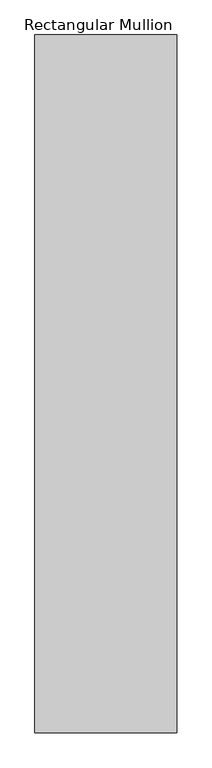
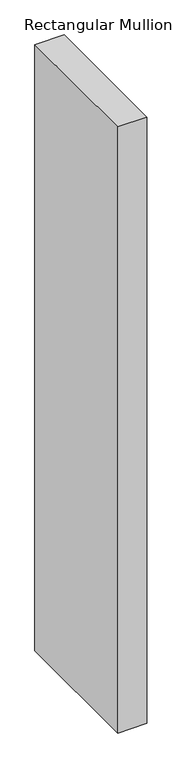
"""IFC4 building model written with IfcOpenShell, lengths in millimetres: member geometry, Rectangular Mullion."""

import ifcopenshell
import ifcopenshell.guid

model = None  # the IFC model being written
_history = None  # IfcOwnerHistory: only IFC2X3 demands one
_inside = {}  # id of a spatial element -> (the spatial element, [elements in it])
_under = {}  # id of a project, library or spatial element -> (it, [spatial elements below it])
_declared = {}  # id of a project -> (the project, [libraries it declares])
_typed = {}  # id of a type object -> (the type object, [elements of that type])
_made_of = {}  # id of a material, layer set ... -> (it, [elements and type objects made of it])


def new_model(schema):
    """Start an empty IFC model of exactly this schema.

    Asked for "IFC4X3", IfcOpenShell would pick the latest addendum, in which some entities
    have other attributes; the version numbers below select the first issue.
    IFC2X3 requires an IfcOwnerHistory on every rooted entity: one is made here for all.
    """
    global model, _history
    if schema == "IFC4X3":
        model = ifcopenshell.file(schema_version=(4, 3, 0, 0))
    else:
        model = ifcopenshell.file(schema=schema)
    _inside.clear()
    _under.clear()
    _declared.clear()
    _typed.clear()
    _made_of.clear()
    _history = None
    if model.schema == "IFC2X3":
        org = make("IfcOrganization", Name="unknown")
        user = make(
            "IfcPersonAndOrganization",
            ThePerson=make("IfcPerson", FamilyName="unknown"),
            TheOrganization=org,
        )
        app = make(
            "IfcApplication",
            ApplicationDeveloper=org,
            Version="unknown",
            ApplicationFullName="unknown",
            ApplicationIdentifier="unknown",
        )
        _history = make(
            "IfcOwnerHistory",
            OwningUser=user,
            OwningApplication=app,
            ChangeAction="ADDED",
            CreationDate=0,
        )
    return model


def make(cls, **values):
    """One entity of the class cls with the attributes given. An attribute that is None is left unset."""
    return model.create_entity(
        cls, **{name: value for name, value in values.items() if value is not None}
    )


def rooted(cls, **values):
    """An entity with a GlobalId (a new one), such as an element, a storey or a relation."""
    return make(cls, GlobalId=ifcopenshell.guid.new(), OwnerHistory=_history, **values)


def si_unit(unit_type, name, prefix=None):
    """IfcSIUnit, for example si_unit("LENGTHUNIT", "METRE", prefix="MILLI")."""
    return make("IfcSIUnit", UnitType=unit_type, Prefix=prefix, Name=name)


def assignment(units):
    """IfcUnitAssignment: the units of a project."""
    return None if units is None else make("IfcUnitAssignment", Units=units)


def point(xyz):
    """IfcCartesianPoint."""
    return None if xyz is None else make("IfcCartesianPoint", Coordinates=xyz)


def direction(xyz):
    """IfcDirection."""
    return None if xyz is None else make("IfcDirection", DirectionRatios=xyz)


def frame(location, z_axis=None, x_axis=None):
    """IfcAxis2Placement3D, a coordinate frame: its origin and axes. An axis left out is left unset."""
    return make(
        "IfcAxis2Placement3D",
        Location=point(location),
        Axis=direction(z_axis),
        RefDirection=direction(x_axis),
    )


def origin():
    """The frame at (0, 0, 0) with its axes left unset."""
    return frame((0.0, 0.0, 0.0))


def place(relative_to, where):
    """IfcLocalPlacement: puts the frame where relative to a parent placement (None: the world)."""
    return make(
        "IfcLocalPlacement", PlacementRelTo=relative_to, RelativePlacement=where
    )


def context(
    kind, dimensions, precision=None, world=None, true_north=None, identifier=None
):
    """IfcGeometricRepresentationContext, for example the 3D "Model" context."""
    return make(
        "IfcGeometricRepresentationContext",
        ContextIdentifier=identifier,
        ContextType=kind,
        CoordinateSpaceDimension=dimensions,
        Precision=precision,
        WorldCoordinateSystem=world,
        TrueNorth=true_north,
    )


def project(units=None, contexts=None):
    """IfcProject with its units and contexts."""
    return rooted(
        "IfcProject",
        Name="project",
        RepresentationContexts=contexts,
        UnitsInContext=assignment(units),
    )


def spatial(cls, under=None, at=None, **own):
    """A site, building, storey or space (cls), placed at a placement, below another one or the project."""
    s = rooted(cls, ObjectPlacement=at, **own)
    if under is not None:
        _under.setdefault(under.id(), (under, []))[1].append(s)
    return s


def polyline(points):
    """IfcPolyline through the points."""
    return make("IfcPolyline", Points=[point(p) for p in points])


def outline(outer, holes=None, kind="AREA"):
    """IfcArbitraryClosedProfileDef: a profile drawn as a closed curve; with holes, ...WithVoids."""
    if holes is None:
        return make("IfcArbitraryClosedProfileDef", ProfileType=kind, OuterCurve=outer)
    return make(
        "IfcArbitraryProfileDefWithVoids",
        ProfileType=kind,
        OuterCurve=outer,
        InnerCurves=holes,
    )


def extrude(swept, where, along, depth):
    """IfcExtrudedAreaSolid: the profile swept, set in the frame where, extruded along a direction by depth."""
    return make(
        "IfcExtrudedAreaSolid",
        SweptArea=swept,
        Position=where,
        ExtrudedDirection=direction(along),
        Depth=depth,
    )


def shape(context_of_items, identifier, shape_type, items):
    """IfcShapeRepresentation: the items that make up one representation, for example the "Body"."""
    return make(
        "IfcShapeRepresentation",
        ContextOfItems=context_of_items,
        RepresentationIdentifier=identifier,
        RepresentationType=shape_type,
        Items=items,
    )


def source(mapping_origin, context_of_items, identifier, shape_type, items):
    """IfcRepresentationMap: a shape defined once, which mapped items show again and again."""
    return make(
        "IfcRepresentationMap",
        MappingOrigin=mapping_origin,
        MappedRepresentation=shape(context_of_items, identifier, shape_type, items),
    )


def transform(
    local_origin,
    x_axis=None,
    y_axis=None,
    z_axis=None,
    scale=None,
    scale2=None,
    scale3=None,
    uniform=True,
):
    """IfcCartesianTransformationOperator3D, or its non-uniform kind. x_axis, y_axis, z_axis: its Axis1, 2, 3."""
    if uniform:
        return make(
            "IfcCartesianTransformationOperator3D",
            Axis1=direction(x_axis),
            Axis2=direction(y_axis),
            LocalOrigin=point(local_origin),
            Scale=scale,
            Axis3=direction(z_axis),
        )
    return make(
        "IfcCartesianTransformationOperator3DnonUniform",
        Axis1=direction(x_axis),
        Axis2=direction(y_axis),
        LocalOrigin=point(local_origin),
        Scale=scale,
        Axis3=direction(z_axis),
        Scale2=scale2,
        Scale3=scale3,
    )


def mapped(mapping_source, mapping_target):
    """IfcMappedItem: shows the shape of a source again, moved by a transform."""
    return make(
        "IfcMappedItem", MappingSource=mapping_source, MappingTarget=mapping_target
    )


def made_of(thing, what):
    """Note that an element or type object is made of a material, layer set ...; save() writes the relation."""
    if what is not None:
        _made_of.setdefault(what.id(), (what, []))[1].append(thing)
    return thing


def element(
    cls,
    number,
    at=None,
    inside=None,
    cuts=None,
    type_object=None,
    material=None,
    context=None,
    identifier="Body",
    shape_type=None,
    held_by="IfcProductDefinitionShape",
    body=None,
    shapes=None,
    **own,
):
    """One element of the class cls, such as IfcWall. Its Tag is "e" and its number.

    at: its placement. inside: the storey or other place that contains it. cuts: it is an
    opening in that element (IfcRelVoidsElement). A single representation is given by context,
    identifier, shape_type and body (its items); several are given by shapes. held_by: the class
    of the entity that holds the representations. save() writes the other relations.
    """
    e = rooted(cls, Tag="e%d" % number, ObjectPlacement=at, **own)
    if body is not None:
        shapes = [shape(context, identifier, shape_type, body)]
    if shapes is not None:
        e.Representation = make(held_by, Representations=shapes)
    if inside is not None:
        _inside.setdefault(inside.id(), (inside, []))[1].append(e)
    if cuts is not None:
        rooted(
            "IfcRelVoidsElement", RelatingBuildingElement=cuts, RelatedOpeningElement=e
        )
    if type_object is not None:
        _typed.setdefault(type_object.id(), (type_object, []))[1].append(e)
    return made_of(e, material)


def aggregate(whole, parts):
    """IfcRelAggregates: a whole, such as a stair, and the parts it consists of."""
    return rooted("IfcRelAggregates", RelatingObject=whole, RelatedObjects=parts)


def save(model, path):
    """Write the relations noted so far, then the file.

    IfcRelAggregates (storeys below a building ...), IfcRelContainedInSpatialStructure (elements
    in a storey), IfcRelDefinesByType, IfcRelAssociatesMaterial and IfcRelDeclares: one each for
    every whole, place, type object, material and project.
    """
    for whole, parts in _under.values():
        aggregate(whole, parts)
    for where, things in _inside.values():
        rooted(
            "IfcRelContainedInSpatialStructure",
            RelatedElements=things,
            RelatingStructure=where,
        )
    for kind, things in _typed.values():
        rooted("IfcRelDefinesByType", RelatedObjects=things, RelatingType=kind)
    for what, things in _made_of.values():
        rooted("IfcRelAssociatesMaterial", RelatedObjects=things, RelatingMaterial=what)
    for by, libraries in _declared.values():
        rooted("IfcRelDeclares", RelatingContext=by, RelatedDefinitions=libraries)
    model.write(path)


def rectangular_mullion_426f6dc0(model_context):
    return source(origin(), model_context, "Body", "SweptSolid", [
        extrude(outline(polyline([(400.0, 1600.0), (400.0, -1600.0), (-250.0, -1600.0), (-250.0, 1600.0), (400.0, 1600.0)])), frame((0.0, 0.0, -14285.1673245), z_axis=(0.0, 0.0, 1.0), x_axis=(1.0, 0.0, 0.0)), (0.0, 0.0, 1.0), 14285.1673245),
    ])


if __name__ == "__main__":
    model = new_model("IFC4")
    model_context = context("Model", 3, world=origin())
    ifc_project = project(units=[si_unit("LENGTHUNIT", "METRE", prefix="MILLI")], contexts=[model_context])
    site = spatial("IfcSite", under=ifc_project)
    building = spatial("IfcBuilding", under=site)
    placement = place(None, origin())
    rectangular_mullion_shape = rectangular_mullion_426f6dc0(model_context)
    element("IfcMember", 1, ObjectType="Rectangular Mullion", at=placement, inside=building, context=model_context, shape_type="MappedRepresentation", body=[
        mapped(rectangular_mullion_shape, transform((0.0, 0.0, 0.0), x_axis=(1.0, 0.0, 0.0), y_axis=(0.0, 1.0, 0.0), z_axis=(0.0, 0.0, 1.0))),
    ])
    save(model, "model.ifc")
